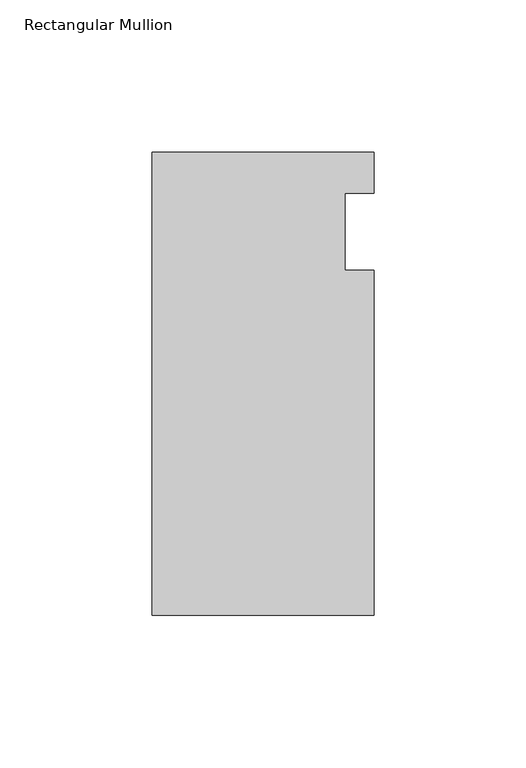
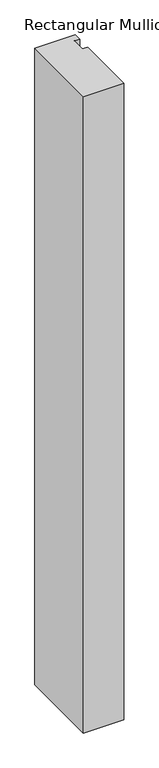
"""IFC4 building model written with IfcOpenShell, lengths in millimetres: member geometry, Rectangular Mullion."""

from ifc_helpers import new_model, si_unit, frame, origin, place, context, project, spatial, polyline, outline, extrude, source, transform, mapped, element, save


def rectangular_mullion_e011e3bd(model_context):
    return source(origin(), model_context, "Body", "SweptSolid", [
        extrude(outline(polyline([(-36.5125, 26.19375), (36.5125, 26.19375), (36.5125, 12.7), (26.9875, 12.7), (26.9875, -12.7), (36.5125, -12.7), (36.5125, -126.20625), (-36.5125, -126.20625), (-36.5125, 26.19375)])), frame((0.0, 0.0, -1219.2), z_axis=(0.0, 0.0, 1.0), x_axis=(1.0, 0.0, 0.0)), (0.0, 0.0, 1.0), 1219.2),
    ])


if __name__ == "__main__":
    model = new_model("IFC4")
    model_context = context("Model", 3, world=origin())
    ifc_project = project(units=[si_unit("LENGTHUNIT", "METRE", prefix="MILLI")], contexts=[model_context])
    site = spatial("IfcSite", under=ifc_project)
    building = spatial("IfcBuilding", under=site)
    placement = place(None, origin())
    rectangular_mullion_shape = rectangular_mullion_e011e3bd(model_context)
    element("IfcMember", 1, ObjectType="Rectangular Mullion", at=placement, inside=building, context=model_context, shape_type="MappedRepresentation", body=[
        mapped(rectangular_mullion_shape, transform((0.0, 0.0, 0.0), x_axis=(1.0, 0.0, 0.0), y_axis=(0.0, 1.0, 0.0), z_axis=(0.0, 0.0, 1.0))),
    ])
    save(model, "model.ifc")
